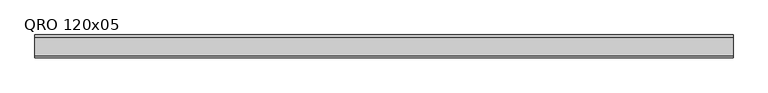
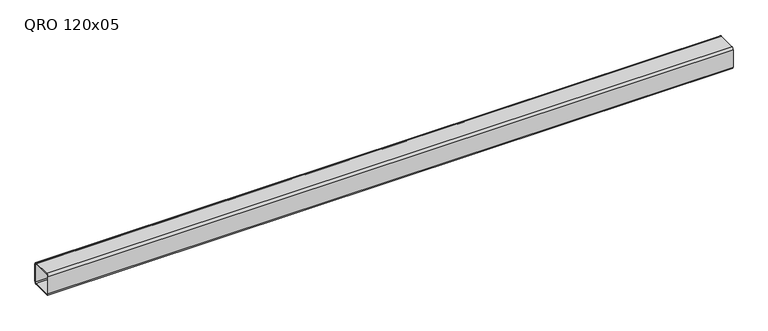
"""IFC4 building model written with IfcOpenShell, lengths in millimetres: beam geometry, QRO 120x05."""

from ifc_helpers import new_model, si_unit, point, frame, frame_2d, origin, place, context, project, spatial, polyline, circle_curve, trimmed, segment, composite_curve, outline, extrude, source, transform, mapped, element, save


def qro_120x05_8e76da11(model_context):
    return source(origin(), model_context, "Body", "SweptSolid", [
        extrude(outline(composite_curve([segment(polyline([(60.0, 48.0), (60.0, -48.0)]), True, "CONTINUOUS"), segment(trimmed(circle_curve(frame_2d((48.0, -48.0)), 12.0), [point((60.0, -48.0))], [point((48.0, -60.0))], False, "CARTESIAN"), True, "CONTINUOUS"), segment(polyline([(48.0, -60.0), (-48.0, -60.0)]), True, "CONTINUOUS"), segment(trimmed(circle_curve(frame_2d((-48.0, -48.0)), 12.0), [point((-48.0, -60.0))], [point((-60.0, -48.0))], False, "CARTESIAN"), True, "CONTINUOUS"), segment(polyline([(-60.0, -48.0), (-60.0, 48.0)]), True, "CONTINUOUS"), segment(trimmed(circle_curve(frame_2d((-48.0, 48.0)), 12.0), [point((-60.0, 48.0))], [point((-48.0, 60.0))], False, "CARTESIAN"), True, "CONTINUOUS"), segment(polyline([(-48.0, 60.0), (48.0, 60.0)]), True, "CONTINUOUS"), segment(trimmed(circle_curve(frame_2d((48.0, 48.0)), 12.0), [point((48.0, 60.0))], [point((60.0, 48.0))], False, "CARTESIAN"), True, "CONTINUOUS")], self_intersect=False), holes=[composite_curve([segment(trimmed(circle_curve(frame_2d((-48.0, 48.0)), 6.0), [point((-48.0, 54.0))], [point((-54.0, 48.0))], True, "CARTESIAN"), True, "CONTINUOUS"), segment(polyline([(-54.0, 48.0), (-54.0, -48.0)]), True, "CONTINUOUS"), segment(trimmed(circle_curve(frame_2d((-48.0, -48.0)), 6.0), [point((-54.0, -48.0))], [point((-48.0, -54.0))], True, "CARTESIAN"), True, "CONTINUOUS"), segment(polyline([(-48.0, -54.0), (48.0, -54.0)]), True, "CONTINUOUS"), segment(trimmed(circle_curve(frame_2d((48.0, -48.0)), 6.0), [point((48.0, -54.0))], [point((54.0, -48.0))], True, "CARTESIAN"), True, "CONTINUOUS"), segment(polyline([(54.0, -48.0), (54.0, 48.0)]), True, "CONTINUOUS"), segment(trimmed(circle_curve(frame_2d((48.0, 48.0)), 6.0), [point((54.0, 48.0))], [point((48.0, 54.0))], True, "CARTESIAN"), True, "CONTINUOUS"), segment(polyline([(48.0, 54.0), (-48.0, 54.0)]), True, "CONTINUOUS")], self_intersect=False)]), frame((-1878.3420819, 0.0, 0.0), z_axis=(1.0, 0.0, 0.0), x_axis=(0.0, 1.0, 0.0)), (0.0, 0.0, 1.0), 3645.1305784),
    ])


if __name__ == "__main__":
    model = new_model("IFC4")
    model_context = context("Model", 3, world=origin())
    ifc_project = project(units=[si_unit("LENGTHUNIT", "METRE", prefix="MILLI")], contexts=[model_context])
    site = spatial("IfcSite", under=ifc_project)
    building = spatial("IfcBuilding", under=site)
    placement = place(None, origin())
    qro_120x05_shape = qro_120x05_8e76da11(model_context)
    element("IfcBeam", 1, ObjectType="QRO 120x05", at=placement, inside=building, context=model_context, shape_type="MappedRepresentation", body=[
        mapped(qro_120x05_shape, transform((0.0, 0.0, 0.0), x_axis=(1.0, 0.0, 0.0), y_axis=(0.0, 1.0, 0.0), z_axis=(0.0, 0.0, 1.0))),
    ])
    save(model, "model.ifc")
